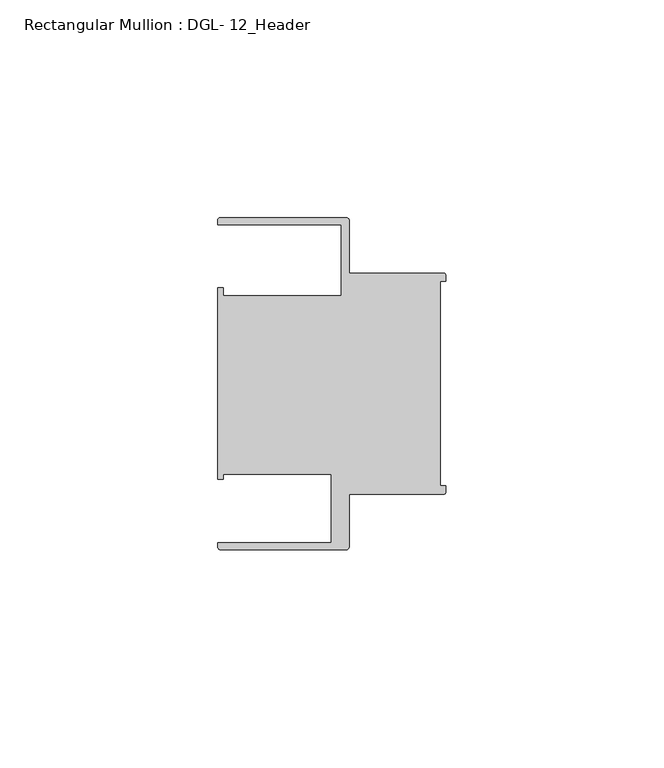
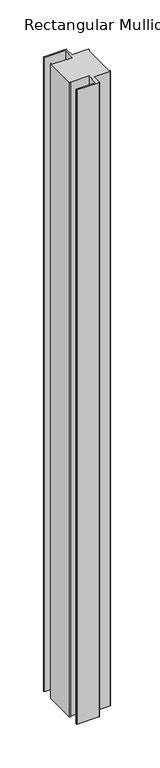
"""IFC4 building model written with IfcOpenShell, lengths in millimetres: member geometry, Rectangular Mullion : DGL- 12_Header."""

import ifcopenshell
import ifcopenshell.guid

model = None  # the IFC model being written
_history = None  # IfcOwnerHistory: only IFC2X3 demands one
_inside = {}  # id of a spatial element -> (the spatial element, [elements in it])
_under = {}  # id of a project, library or spatial element -> (it, [spatial elements below it])
_declared = {}  # id of a project -> (the project, [libraries it declares])
_typed = {}  # id of a type object -> (the type object, [elements of that type])
_made_of = {}  # id of a material, layer set ... -> (it, [elements and type objects made of it])


def new_model(schema):
    """Start an empty IFC model of exactly this schema.

    Asked for "IFC4X3", IfcOpenShell would pick the latest addendum, in which some entities
    have other attributes; the version numbers below select the first issue.
    IFC2X3 requires an IfcOwnerHistory on every rooted entity: one is made here for all.
    """
    global model, _history
    if schema == "IFC4X3":
        model = ifcopenshell.file(schema_version=(4, 3, 0, 0))
    else:
        model = ifcopenshell.file(schema=schema)
    _inside.clear()
    _under.clear()
    _declared.clear()
    _typed.clear()
    _made_of.clear()
    _history = None
    if model.schema == "IFC2X3":
        org = make("IfcOrganization", Name="unknown")
        user = make(
            "IfcPersonAndOrganization",
            ThePerson=make("IfcPerson", FamilyName="unknown"),
            TheOrganization=org,
        )
        app = make(
            "IfcApplication",
            ApplicationDeveloper=org,
            Version="unknown",
            ApplicationFullName="unknown",
            ApplicationIdentifier="unknown",
        )
        _history = make(
            "IfcOwnerHistory",
            OwningUser=user,
            OwningApplication=app,
            ChangeAction="ADDED",
            CreationDate=0,
        )
    return model


def make(cls, **values):
    """One entity of the class cls with the attributes given. An attribute that is None is left unset."""
    return model.create_entity(
        cls, **{name: value for name, value in values.items() if value is not None}
    )


def rooted(cls, **values):
    """An entity with a GlobalId (a new one), such as an element, a storey or a relation."""
    return make(cls, GlobalId=ifcopenshell.guid.new(), OwnerHistory=_history, **values)


def si_unit(unit_type, name, prefix=None):
    """IfcSIUnit, for example si_unit("LENGTHUNIT", "METRE", prefix="MILLI")."""
    return make("IfcSIUnit", UnitType=unit_type, Prefix=prefix, Name=name)


def assignment(units):
    """IfcUnitAssignment: the units of a project."""
    return None if units is None else make("IfcUnitAssignment", Units=units)


def point(xyz):
    """IfcCartesianPoint."""
    return None if xyz is None else make("IfcCartesianPoint", Coordinates=xyz)


def direction(xyz):
    """IfcDirection."""
    return None if xyz is None else make("IfcDirection", DirectionRatios=xyz)


def frame(location, z_axis=None, x_axis=None):
    """IfcAxis2Placement3D, a coordinate frame: its origin and axes. An axis left out is left unset."""
    return make(
        "IfcAxis2Placement3D",
        Location=point(location),
        Axis=direction(z_axis),
        RefDirection=direction(x_axis),
    )


def frame_2d(location, x_axis=None):
    """IfcAxis2Placement2D, a coordinate frame in the plane: its origin and x axis."""
    return make(
        "IfcAxis2Placement2D", Location=point(location), RefDirection=direction(x_axis)
    )


def origin():
    """The frame at (0, 0, 0) with its axes left unset."""
    return frame((0.0, 0.0, 0.0))


def place(relative_to, where):
    """IfcLocalPlacement: puts the frame where relative to a parent placement (None: the world)."""
    return make(
        "IfcLocalPlacement", PlacementRelTo=relative_to, RelativePlacement=where
    )


def context(
    kind, dimensions, precision=None, world=None, true_north=None, identifier=None
):
    """IfcGeometricRepresentationContext, for example the 3D "Model" context."""
    return make(
        "IfcGeometricRepresentationContext",
        ContextIdentifier=identifier,
        ContextType=kind,
        CoordinateSpaceDimension=dimensions,
        Precision=precision,
        WorldCoordinateSystem=world,
        TrueNorth=true_north,
    )


def project(units=None, contexts=None):
    """IfcProject with its units and contexts."""
    return rooted(
        "IfcProject",
        Name="project",
        RepresentationContexts=contexts,
        UnitsInContext=assignment(units),
    )


def spatial(cls, under=None, at=None, **own):
    """A site, building, storey or space (cls), placed at a placement, below another one or the project."""
    s = rooted(cls, ObjectPlacement=at, **own)
    if under is not None:
        _under.setdefault(under.id(), (under, []))[1].append(s)
    return s


def polyline(points):
    """IfcPolyline through the points."""
    return make("IfcPolyline", Points=[point(p) for p in points])


def circle_curve(where, radius):
    """IfcCircle in the frame where."""
    return make("IfcCircle", Position=where, Radius=radius)


def trimmed(basis, trim1, trim2, sense, master):
    """IfcTrimmedCurve: the piece of a basis curve between two trims."""
    return make(
        "IfcTrimmedCurve",
        BasisCurve=basis,
        Trim1=trim1,
        Trim2=trim2,
        SenseAgreement=sense,
        MasterRepresentation=master,
    )


def segment(curve, same_sense, transition):
    """IfcCompositeCurveSegment."""
    return make(
        "IfcCompositeCurveSegment",
        Transition=transition,
        SameSense=same_sense,
        ParentCurve=curve,
    )


def composite_curve(segments, self_intersect=None):
    """IfcCompositeCurve: segments joined end to end."""
    return make("IfcCompositeCurve", Segments=segments, SelfIntersect=self_intersect)


def outline(outer, holes=None, kind="AREA"):
    """IfcArbitraryClosedProfileDef: a profile drawn as a closed curve; with holes, ...WithVoids."""
    if holes is None:
        return make("IfcArbitraryClosedProfileDef", ProfileType=kind, OuterCurve=outer)
    return make(
        "IfcArbitraryProfileDefWithVoids",
        ProfileType=kind,
        OuterCurve=outer,
        InnerCurves=holes,
    )


def extrude(swept, where, along, depth):
    """IfcExtrudedAreaSolid: the profile swept, set in the frame where, extruded along a direction by depth."""
    return make(
        "IfcExtrudedAreaSolid",
        SweptArea=swept,
        Position=where,
        ExtrudedDirection=direction(along),
        Depth=depth,
    )


def shape(context_of_items, identifier, shape_type, items):
    """IfcShapeRepresentation: the items that make up one representation, for example the "Body"."""
    return make(
        "IfcShapeRepresentation",
        ContextOfItems=context_of_items,
        RepresentationIdentifier=identifier,
        RepresentationType=shape_type,
        Items=items,
    )


def source(mapping_origin, context_of_items, identifier, shape_type, items):
    """IfcRepresentationMap: a shape defined once, which mapped items show again and again."""
    return make(
        "IfcRepresentationMap",
        MappingOrigin=mapping_origin,
        MappedRepresentation=shape(context_of_items, identifier, shape_type, items),
    )


def transform(
    local_origin,
    x_axis=None,
    y_axis=None,
    z_axis=None,
    scale=None,
    scale2=None,
    scale3=None,
    uniform=True,
):
    """IfcCartesianTransformationOperator3D, or its non-uniform kind. x_axis, y_axis, z_axis: its Axis1, 2, 3."""
    if uniform:
        return make(
            "IfcCartesianTransformationOperator3D",
            Axis1=direction(x_axis),
            Axis2=direction(y_axis),
            LocalOrigin=point(local_origin),
            Scale=scale,
            Axis3=direction(z_axis),
        )
    return make(
        "IfcCartesianTransformationOperator3DnonUniform",
        Axis1=direction(x_axis),
        Axis2=direction(y_axis),
        LocalOrigin=point(local_origin),
        Scale=scale,
        Axis3=direction(z_axis),
        Scale2=scale2,
        Scale3=scale3,
    )


def mapped(mapping_source, mapping_target):
    """IfcMappedItem: shows the shape of a source again, moved by a transform."""
    return make(
        "IfcMappedItem", MappingSource=mapping_source, MappingTarget=mapping_target
    )


def made_of(thing, what):
    """Note that an element or type object is made of a material, layer set ...; save() writes the relation."""
    if what is not None:
        _made_of.setdefault(what.id(), (what, []))[1].append(thing)
    return thing


def element(
    cls,
    number,
    at=None,
    inside=None,
    cuts=None,
    type_object=None,
    material=None,
    context=None,
    identifier="Body",
    shape_type=None,
    held_by="IfcProductDefinitionShape",
    body=None,
    shapes=None,
    **own,
):
    """One element of the class cls, such as IfcWall. Its Tag is "e" and its number.

    at: its placement. inside: the storey or other place that contains it. cuts: it is an
    opening in that element (IfcRelVoidsElement). A single representation is given by context,
    identifier, shape_type and body (its items); several are given by shapes. held_by: the class
    of the entity that holds the representations. save() writes the other relations.
    """
    e = rooted(cls, Tag="e%d" % number, ObjectPlacement=at, **own)
    if body is not None:
        shapes = [shape(context, identifier, shape_type, body)]
    if shapes is not None:
        e.Representation = make(held_by, Representations=shapes)
    if inside is not None:
        _inside.setdefault(inside.id(), (inside, []))[1].append(e)
    if cuts is not None:
        rooted(
            "IfcRelVoidsElement", RelatingBuildingElement=cuts, RelatedOpeningElement=e
        )
    if type_object is not None:
        _typed.setdefault(type_object.id(), (type_object, []))[1].append(e)
    return made_of(e, material)


def aggregate(whole, parts):
    """IfcRelAggregates: a whole, such as a stair, and the parts it consists of."""
    return rooted("IfcRelAggregates", RelatingObject=whole, RelatedObjects=parts)


def save(model, path):
    """Write the relations noted so far, then the file.

    IfcRelAggregates (storeys below a building ...), IfcRelContainedInSpatialStructure (elements
    in a storey), IfcRelDefinesByType, IfcRelAssociatesMaterial and IfcRelDeclares: one each for
    every whole, place, type object, material and project.
    """
    for whole, parts in _under.values():
        aggregate(whole, parts)
    for where, things in _inside.values():
        rooted(
            "IfcRelContainedInSpatialStructure",
            RelatedElements=things,
            RelatingStructure=where,
        )
    for kind, things in _typed.values():
        rooted("IfcRelDefinesByType", RelatedObjects=things, RelatingType=kind)
    for what, things in _made_of.values():
        rooted("IfcRelAssociatesMaterial", RelatedObjects=things, RelatingMaterial=what)
    for by, libraries in _declared.values():
        rooted("IfcRelDeclares", RelatingContext=by, RelatedDefinitions=libraries)
    model.write(path)


def rectangular_mullion_dgl_12_header_ac491318(model_context):
    return source(origin(), model_context, "Body", "SweptSolid", [
        extrude(outline(composite_curve([segment(trimmed(circle_curve(frame_2d((-0.5953125, 24.8046875)), 0.5953125), [point((-0.5953125, 25.4))], [point((0.0, 24.8046875))], False, "CARTESIAN"), True, "CONTINUOUS"), segment(polyline([(0.0, 24.8046875), (0.0, 23.4882401), (-1.30175, 23.4882401), (-1.30175, -23.4882401), (0.0, -23.4882401), (0.0, -24.8046875)]), True, "CONTINUOUS"), segment(trimmed(circle_curve(frame_2d((-0.5953125, -24.8046875)), 0.5953125), [point((0.0, -24.8046875))], [point((-0.5953125, -25.4))], False, "CARTESIAN"), True, "CONTINUOUS"), segment(polyline([(-0.5953125, -25.4), (-22.2332076, -25.4), (-22.2332076, -37.5047035)]), True, "CONTINUOUS"), segment(trimmed(circle_curve(frame_2d((-22.8285201, -37.5047035)), 0.5953125), [point((-22.2332076, -37.5047035))], [point((-22.8285201, -38.100016))], False, "CARTESIAN"), True, "CONTINUOUS"), segment(polyline([(-22.8285201, -38.100016), (-51.7968699, -38.100016)]), True, "CONTINUOUS"), segment(trimmed(circle_curve(frame_2d((-51.7968699, -37.5047035)), 0.5953125), [point((-51.7968699, -38.100016))], [point((-52.3921824, -37.5047035))], False, "CARTESIAN"), True, "CONTINUOUS"), segment(polyline([(-52.3921824, -37.5047035), (-52.3921824, -36.512516), (-26.3720794, -36.512516), (-26.3720794, -20.8257348), (-51.1280305, -20.8257348), (-51.1280305, -21.9710976), (-52.3948122, -21.9710976), (-52.3948122, 21.9710976), (-51.1280305, 21.9710976), (-51.1280305, 20.1823589), (-24.0747075, 20.1823589), (-24.0747075, 36.5123462), (-52.3921824, 36.5123462), (-52.3921824, 37.5043667)]), True, "CONTINUOUS"), segment(trimmed(circle_curve(frame_2d((-51.7968699, 37.5043667)), 0.5953125), [point((-52.3921824, 37.5043667))], [point((-51.7968699, 38.0996792))], False, "CARTESIAN"), True, "CONTINUOUS"), segment(polyline([(-51.7968699, 38.0996792), (-22.8285201, 38.0996792)]), True, "CONTINUOUS"), segment(trimmed(circle_curve(frame_2d((-22.8285201, 37.5043667)), 0.5953125), [point((-22.8285201, 38.0996792))], [point((-22.2332076, 37.5043667))], False, "CARTESIAN"), True, "CONTINUOUS"), segment(polyline([(-22.2332076, 37.5043667), (-22.2332076, 25.4), (-0.5953125, 25.4)]), True, "CONTINUOUS")], self_intersect=False)), frame((0.0, 0.0, -886.1236105), z_axis=(0.0, 0.0, 1.0), x_axis=(1.0, 0.0, 0.0)), (0.0, 0.0, 1.0), 886.1236105),
    ])


if __name__ == "__main__":
    model = new_model("IFC4")
    model_context = context("Model", 3, world=origin())
    ifc_project = project(units=[si_unit("LENGTHUNIT", "METRE", prefix="MILLI")], contexts=[model_context])
    site = spatial("IfcSite", under=ifc_project)
    building = spatial("IfcBuilding", under=site)
    placement = place(None, origin())
    rectangular_mullion_dgl_12_header_shape = rectangular_mullion_dgl_12_header_ac491318(model_context)
    element("IfcMember", 1, ObjectType="Rectangular Mullion : DGL- 12_Header", at=placement, inside=building, context=model_context, shape_type="MappedRepresentation", body=[
        mapped(rectangular_mullion_dgl_12_header_shape, transform((0.0, 0.0, 0.0), x_axis=(1.0, 0.0, 0.0), y_axis=(0.0, 1.0, 0.0), z_axis=(0.0, 0.0, 1.0))),
    ])
    save(model, "model.ifc")
